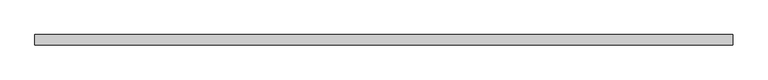
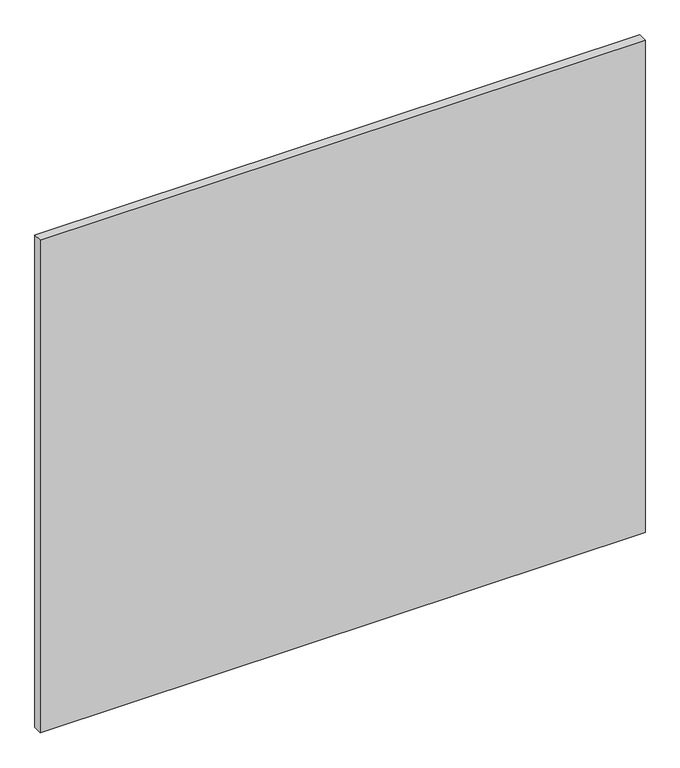
"""IFC4 building model written with IfcOpenShell, lengths in millimetres: furniture geometry."""

from ifc_helpers import new_model, si_unit, frame, origin, place, context, project, spatial, polyline, outline, extrude, source, transform, mapped, element, save


def furniture_99e06723(model_context):
    return source(origin(), model_context, "Body", "SweptSolid", [
        extrude(outline(polyline([(1524.0007424, 0.0), (152.4007424, 0.0), (152.4007424, 20.1673737), (1524.0007424, 20.1673737), (1524.0007424, 0.0)])), frame((0.0, 0.0, 734.06), z_axis=(0.0, 0.0, 1.0), x_axis=(1.0, 0.0, 0.0)), (0.0, 0.0, 1.0), 1181.1),
    ])


if __name__ == "__main__":
    model = new_model("IFC4")
    model_context = context("Model", 3, world=origin())
    ifc_project = project(units=[si_unit("LENGTHUNIT", "METRE", prefix="MILLI")], contexts=[model_context])
    site = spatial("IfcSite", under=ifc_project)
    building = spatial("IfcBuilding", under=site)
    placement = place(None, origin())
    furniture_shape = furniture_99e06723(model_context)
    element("IfcFurniture", 1, at=placement, inside=building, context=model_context, shape_type="MappedRepresentation", body=[
        mapped(furniture_shape, transform((0.0, 0.0, 0.0), x_axis=(1.0, 0.0, 0.0), y_axis=(0.0, 1.0, 0.0), z_axis=(0.0, 0.0, 1.0))),
    ])
    save(model, "model.ifc")
